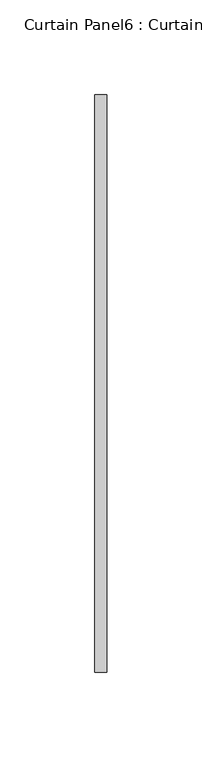
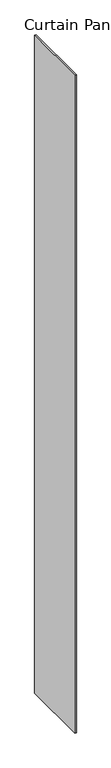
"""IFC4 building model written with IfcOpenShell, lengths in millimetres: plate geometry, Curtain Panel6 : Curtain Panel."""

from ifc_helpers import new_model, si_unit, origin, origin_with_axes, place, context, project, spatial, polyline, outline, extrude, source, transform, mapped, element, save


def curtain_panel6_curtain_panel_3f690690(model_context):
    return source(origin(), model_context, "Body", "SweptSolid", [
        extrude(outline(polyline([(449003.2192033, 2101.3467045), (449003.2192033, 2406.1544378), (449009.5692033, 2406.1544378), (449009.5692033, 2101.3467045), (449003.2192033, 2101.3467045)])), origin_with_axes(), (0.0, 0.0, 1.0), 3048.0),
    ])


if __name__ == "__main__":
    model = new_model("IFC4")
    model_context = context("Model", 3, world=origin())
    ifc_project = project(units=[si_unit("LENGTHUNIT", "METRE", prefix="MILLI")], contexts=[model_context])
    site = spatial("IfcSite", under=ifc_project)
    building = spatial("IfcBuilding", under=site)
    placement = place(None, origin())
    curtain_panel6_curtain_panel_shape = curtain_panel6_curtain_panel_3f690690(model_context)
    element("IfcPlate", 1, ObjectType="Curtain Panel6 : Curtain Panel", at=placement, inside=building, context=model_context, shape_type="MappedRepresentation", body=[
        mapped(curtain_panel6_curtain_panel_shape, transform((0.0, 0.0, 0.0), x_axis=(1.0, 0.0, 0.0), y_axis=(0.0, 1.0, 0.0), z_axis=(0.0, 0.0, 1.0))),
    ])
    save(model, "model.ifc")
